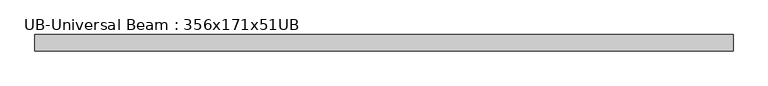
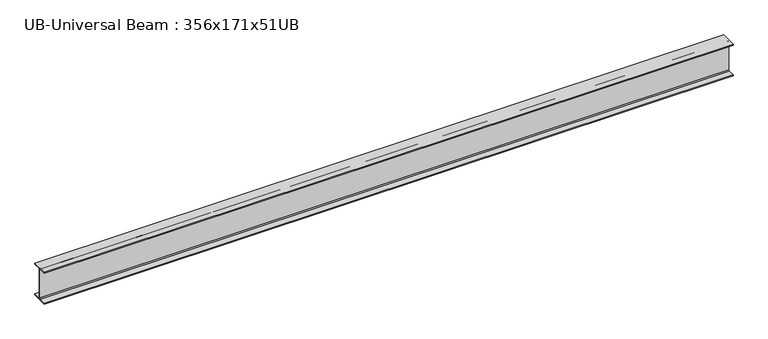
"""IFC4 building model written with IfcOpenShell, lengths in millimetres: beam geometry, UB-Universal Beam : 356x171x51UB."""

import ifcopenshell
import ifcopenshell.guid

model = None  # the IFC model being written
_history = None  # IfcOwnerHistory: only IFC2X3 demands one
_inside = {}  # id of a spatial element -> (the spatial element, [elements in it])
_under = {}  # id of a project, library or spatial element -> (it, [spatial elements below it])
_declared = {}  # id of a project -> (the project, [libraries it declares])
_typed = {}  # id of a type object -> (the type object, [elements of that type])
_made_of = {}  # id of a material, layer set ... -> (it, [elements and type objects made of it])


def new_model(schema):
    """Start an empty IFC model of exactly this schema.

    Asked for "IFC4X3", IfcOpenShell would pick the latest addendum, in which some entities
    have other attributes; the version numbers below select the first issue.
    IFC2X3 requires an IfcOwnerHistory on every rooted entity: one is made here for all.
    """
    global model, _history
    if schema == "IFC4X3":
        model = ifcopenshell.file(schema_version=(4, 3, 0, 0))
    else:
        model = ifcopenshell.file(schema=schema)
    _inside.clear()
    _under.clear()
    _declared.clear()
    _typed.clear()
    _made_of.clear()
    _history = None
    if model.schema == "IFC2X3":
        org = make("IfcOrganization", Name="unknown")
        user = make(
            "IfcPersonAndOrganization",
            ThePerson=make("IfcPerson", FamilyName="unknown"),
            TheOrganization=org,
        )
        app = make(
            "IfcApplication",
            ApplicationDeveloper=org,
            Version="unknown",
            ApplicationFullName="unknown",
            ApplicationIdentifier="unknown",
        )
        _history = make(
            "IfcOwnerHistory",
            OwningUser=user,
            OwningApplication=app,
            ChangeAction="ADDED",
            CreationDate=0,
        )
    return model


def make(cls, **values):
    """One entity of the class cls with the attributes given. An attribute that is None is left unset."""
    return model.create_entity(
        cls, **{name: value for name, value in values.items() if value is not None}
    )


def rooted(cls, **values):
    """An entity with a GlobalId (a new one), such as an element, a storey or a relation."""
    return make(cls, GlobalId=ifcopenshell.guid.new(), OwnerHistory=_history, **values)


def si_unit(unit_type, name, prefix=None):
    """IfcSIUnit, for example si_unit("LENGTHUNIT", "METRE", prefix="MILLI")."""
    return make("IfcSIUnit", UnitType=unit_type, Prefix=prefix, Name=name)


def assignment(units):
    """IfcUnitAssignment: the units of a project."""
    return None if units is None else make("IfcUnitAssignment", Units=units)


def point(xyz):
    """IfcCartesianPoint."""
    return None if xyz is None else make("IfcCartesianPoint", Coordinates=xyz)


def direction(xyz):
    """IfcDirection."""
    return None if xyz is None else make("IfcDirection", DirectionRatios=xyz)


def frame(location, z_axis=None, x_axis=None):
    """IfcAxis2Placement3D, a coordinate frame: its origin and axes. An axis left out is left unset."""
    return make(
        "IfcAxis2Placement3D",
        Location=point(location),
        Axis=direction(z_axis),
        RefDirection=direction(x_axis),
    )


def frame_2d(location, x_axis=None):
    """IfcAxis2Placement2D, a coordinate frame in the plane: its origin and x axis."""
    return make(
        "IfcAxis2Placement2D", Location=point(location), RefDirection=direction(x_axis)
    )


def origin():
    """The frame at (0, 0, 0) with its axes left unset."""
    return frame((0.0, 0.0, 0.0))


def place(relative_to, where):
    """IfcLocalPlacement: puts the frame where relative to a parent placement (None: the world)."""
    return make(
        "IfcLocalPlacement", PlacementRelTo=relative_to, RelativePlacement=where
    )


def context(
    kind, dimensions, precision=None, world=None, true_north=None, identifier=None
):
    """IfcGeometricRepresentationContext, for example the 3D "Model" context."""
    return make(
        "IfcGeometricRepresentationContext",
        ContextIdentifier=identifier,
        ContextType=kind,
        CoordinateSpaceDimension=dimensions,
        Precision=precision,
        WorldCoordinateSystem=world,
        TrueNorth=true_north,
    )


def project(units=None, contexts=None):
    """IfcProject with its units and contexts."""
    return rooted(
        "IfcProject",
        Name="project",
        RepresentationContexts=contexts,
        UnitsInContext=assignment(units),
    )


def spatial(cls, under=None, at=None, **own):
    """A site, building, storey or space (cls), placed at a placement, below another one or the project."""
    s = rooted(cls, ObjectPlacement=at, **own)
    if under is not None:
        _under.setdefault(under.id(), (under, []))[1].append(s)
    return s


def polyline(points):
    """IfcPolyline through the points."""
    return make("IfcPolyline", Points=[point(p) for p in points])


def circle_curve(where, radius):
    """IfcCircle in the frame where."""
    return make("IfcCircle", Position=where, Radius=radius)


def trimmed(basis, trim1, trim2, sense, master):
    """IfcTrimmedCurve: the piece of a basis curve between two trims."""
    return make(
        "IfcTrimmedCurve",
        BasisCurve=basis,
        Trim1=trim1,
        Trim2=trim2,
        SenseAgreement=sense,
        MasterRepresentation=master,
    )


def segment(curve, same_sense, transition):
    """IfcCompositeCurveSegment."""
    return make(
        "IfcCompositeCurveSegment",
        Transition=transition,
        SameSense=same_sense,
        ParentCurve=curve,
    )


def composite_curve(segments, self_intersect=None):
    """IfcCompositeCurve: segments joined end to end."""
    return make("IfcCompositeCurve", Segments=segments, SelfIntersect=self_intersect)


def outline(outer, holes=None, kind="AREA"):
    """IfcArbitraryClosedProfileDef: a profile drawn as a closed curve; with holes, ...WithVoids."""
    if holes is None:
        return make("IfcArbitraryClosedProfileDef", ProfileType=kind, OuterCurve=outer)
    return make(
        "IfcArbitraryProfileDefWithVoids",
        ProfileType=kind,
        OuterCurve=outer,
        InnerCurves=holes,
    )


def extrude(swept, where, along, depth):
    """IfcExtrudedAreaSolid: the profile swept, set in the frame where, extruded along a direction by depth."""
    return make(
        "IfcExtrudedAreaSolid",
        SweptArea=swept,
        Position=where,
        ExtrudedDirection=direction(along),
        Depth=depth,
    )


def shape(context_of_items, identifier, shape_type, items):
    """IfcShapeRepresentation: the items that make up one representation, for example the "Body"."""
    return make(
        "IfcShapeRepresentation",
        ContextOfItems=context_of_items,
        RepresentationIdentifier=identifier,
        RepresentationType=shape_type,
        Items=items,
    )


def source(mapping_origin, context_of_items, identifier, shape_type, items):
    """IfcRepresentationMap: a shape defined once, which mapped items show again and again."""
    return make(
        "IfcRepresentationMap",
        MappingOrigin=mapping_origin,
        MappedRepresentation=shape(context_of_items, identifier, shape_type, items),
    )


def transform(
    local_origin,
    x_axis=None,
    y_axis=None,
    z_axis=None,
    scale=None,
    scale2=None,
    scale3=None,
    uniform=True,
):
    """IfcCartesianTransformationOperator3D, or its non-uniform kind. x_axis, y_axis, z_axis: its Axis1, 2, 3."""
    if uniform:
        return make(
            "IfcCartesianTransformationOperator3D",
            Axis1=direction(x_axis),
            Axis2=direction(y_axis),
            LocalOrigin=point(local_origin),
            Scale=scale,
            Axis3=direction(z_axis),
        )
    return make(
        "IfcCartesianTransformationOperator3DnonUniform",
        Axis1=direction(x_axis),
        Axis2=direction(y_axis),
        LocalOrigin=point(local_origin),
        Scale=scale,
        Axis3=direction(z_axis),
        Scale2=scale2,
        Scale3=scale3,
    )


def mapped(mapping_source, mapping_target):
    """IfcMappedItem: shows the shape of a source again, moved by a transform."""
    return make(
        "IfcMappedItem", MappingSource=mapping_source, MappingTarget=mapping_target
    )


def made_of(thing, what):
    """Note that an element or type object is made of a material, layer set ...; save() writes the relation."""
    if what is not None:
        _made_of.setdefault(what.id(), (what, []))[1].append(thing)
    return thing


def element(
    cls,
    number,
    at=None,
    inside=None,
    cuts=None,
    type_object=None,
    material=None,
    context=None,
    identifier="Body",
    shape_type=None,
    held_by="IfcProductDefinitionShape",
    body=None,
    shapes=None,
    **own,
):
    """One element of the class cls, such as IfcWall. Its Tag is "e" and its number.

    at: its placement. inside: the storey or other place that contains it. cuts: it is an
    opening in that element (IfcRelVoidsElement). A single representation is given by context,
    identifier, shape_type and body (its items); several are given by shapes. held_by: the class
    of the entity that holds the representations. save() writes the other relations.
    """
    e = rooted(cls, Tag="e%d" % number, ObjectPlacement=at, **own)
    if body is not None:
        shapes = [shape(context, identifier, shape_type, body)]
    if shapes is not None:
        e.Representation = make(held_by, Representations=shapes)
    if inside is not None:
        _inside.setdefault(inside.id(), (inside, []))[1].append(e)
    if cuts is not None:
        rooted(
            "IfcRelVoidsElement", RelatingBuildingElement=cuts, RelatedOpeningElement=e
        )
    if type_object is not None:
        _typed.setdefault(type_object.id(), (type_object, []))[1].append(e)
    return made_of(e, material)


def aggregate(whole, parts):
    """IfcRelAggregates: a whole, such as a stair, and the parts it consists of."""
    return rooted("IfcRelAggregates", RelatingObject=whole, RelatedObjects=parts)


def save(model, path):
    """Write the relations noted so far, then the file.

    IfcRelAggregates (storeys below a building ...), IfcRelContainedInSpatialStructure (elements
    in a storey), IfcRelDefinesByType, IfcRelAssociatesMaterial and IfcRelDeclares: one each for
    every whole, place, type object, material and project.
    """
    for whole, parts in _under.values():
        aggregate(whole, parts)
    for where, things in _inside.values():
        rooted(
            "IfcRelContainedInSpatialStructure",
            RelatedElements=things,
            RelatingStructure=where,
        )
    for kind, things in _typed.values():
        rooted("IfcRelDefinesByType", RelatedObjects=things, RelatingType=kind)
    for what, things in _made_of.values():
        rooted("IfcRelAssociatesMaterial", RelatedObjects=things, RelatingMaterial=what)
    for by, libraries in _declared.values():
        rooted("IfcRelDeclares", RelatingContext=by, RelatedDefinitions=libraries)
    model.write(path)


def ub_universal_beam_356x171x51ub_50ba0dce(model_context):
    return source(origin(), model_context, "Body", "SweptSolid", [
        extrude(outline(composite_curve([segment(polyline([(85.75, -166.0), (85.75, -177.5), (-85.75, -177.5), (-85.75, -166.0), (-13.9, -166.0)]), True, "CONTINUOUS"), segment(trimmed(circle_curve(frame_2d((-13.9, -155.8)), 10.2), [point((-13.9, -166.0))], [point((-3.7, -155.8))], True, "CARTESIAN"), True, "CONTINUOUS"), segment(polyline([(-3.7, -155.8), (-3.7, 155.8)]), True, "CONTINUOUS"), segment(trimmed(circle_curve(frame_2d((-13.9, 155.8)), 10.2), [point((-3.7, 155.8))], [point((-13.9, 166.0))], True, "CARTESIAN"), True, "CONTINUOUS"), segment(polyline([(-13.9, 166.0), (-85.75, 166.0), (-85.75, 177.5), (85.75, 177.5), (85.75, 166.0), (13.9, 166.0)]), True, "CONTINUOUS"), segment(trimmed(circle_curve(frame_2d((13.9, 155.8)), 10.2), [point((13.9, 166.0))], [point((3.7, 155.8))], True, "CARTESIAN"), True, "CONTINUOUS"), segment(polyline([(3.7, 155.8), (3.7, -155.8)]), True, "CONTINUOUS"), segment(trimmed(circle_curve(frame_2d((13.9, -155.8)), 10.2), [point((3.7, -155.8))], [point((13.9, -166.0))], True, "CARTESIAN"), True, "CONTINUOUS"), segment(polyline([(13.9, -166.0), (85.75, -166.0)]), True, "CONTINUOUS")], self_intersect=False)), frame((-3642.3, 0.0, 0.0), z_axis=(1.0, 0.0, 0.0), x_axis=(0.0, 1.0, 0.0)), (0.0, 0.0, 1.0), 7284.6),
    ])


if __name__ == "__main__":
    model = new_model("IFC4")
    model_context = context("Model", 3, world=origin())
    ifc_project = project(units=[si_unit("LENGTHUNIT", "METRE", prefix="MILLI")], contexts=[model_context])
    site = spatial("IfcSite", under=ifc_project)
    building = spatial("IfcBuilding", under=site)
    placement = place(None, origin())
    ub_universal_beam_356x171x51ub_shape = ub_universal_beam_356x171x51ub_50ba0dce(model_context)
    element("IfcBeam", 1, ObjectType="UB-Universal Beam : 356x171x51UB", at=placement, inside=building, context=model_context, shape_type="MappedRepresentation", body=[
        mapped(ub_universal_beam_356x171x51ub_shape, transform((0.0, 0.0, 0.0), x_axis=(1.0, 0.0, 0.0), y_axis=(0.0, 1.0, 0.0), z_axis=(0.0, 0.0, 1.0))),
    ])
    save(model, "model.ifc")
